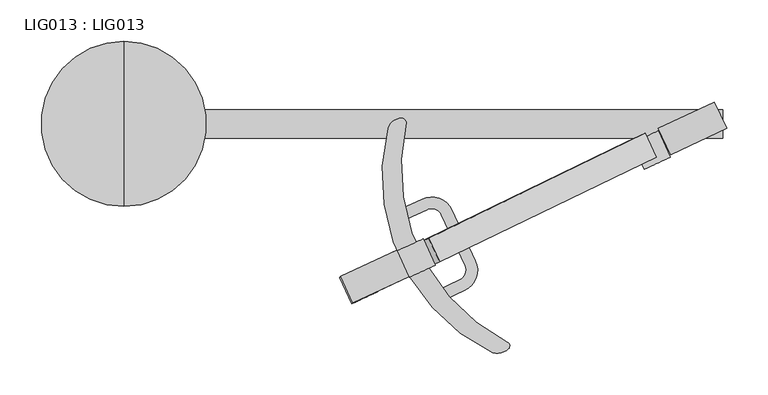
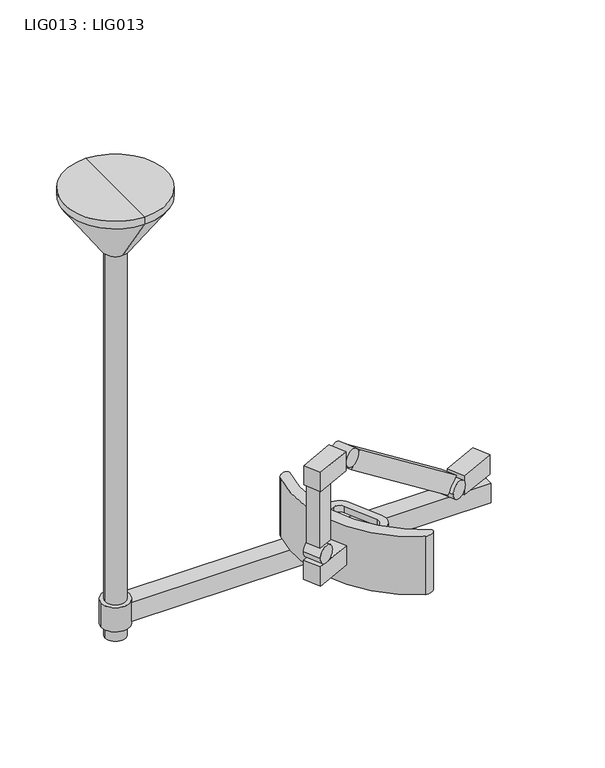
"""IFC4 building model written with IfcOpenShell, lengths in millimetres: proxy geometry, LIG013 : LIG013."""

from ifc_helpers import new_model, si_unit, point, frame, frame_2d, origin, origin_2d, place, context, project, spatial, polyline, circle_curve, trimmed, segment, composite_curve, outline, extrude, source, transform, mapped, element, save
from ifc_brep_helpers import plane_surface, cylinder_surface, revolved_surface, advanced_brep


def lig013_lig013_c20bfbfc(model_context):
    return source(origin(), model_context, "Body", "SolidModel", [
        extrude(outline(polyline([(-38.4581278, 0.0), (-2.018811, 0.0), (-37.4867654, -364.1484075), (-73.9275108, -364.163074), (-38.4581278, 0.0)])), frame((358.9565239, -177.6584559, -603.6662188), z_axis=(-0.42526360609791913, 0.904947692973006, 0.01485053236177733), x_axis=(-0.6196764237920149, -0.279168090139248, -0.7335300315899438)), (0.0, 0.0, 1.0), 31.5874191),
        extrude(outline(composite_curve([segment(trimmed(circle_curve(origin_2d(), 27.5), [point((-27.5, 0.0))], [point((27.5, 0.0))], False, "CARTESIAN"), True, "CONTINUOUS"), segment(trimmed(circle_curve(origin_2d(), 27.5), [point((27.5, 0.0))], [point((-27.5, 0.0))], False, "CARTESIAN"), True, "CONTINUOUS")], self_intersect=False)), frame((0.0, 0.0, -900.0), z_axis=(0.0, 0.0, 1.0), x_axis=(1.0, 0.0, 0.0)), (0.0, 0.0, 1.0), 50.0),
        extrude(outline(composite_curve([segment(polyline([(341.7300133, -115.5400043), (335.8080899, -102.8508856), (361.1780893, -91.0108834)]), True, "CONTINUOUS"), segment(trimmed(circle_curve(frame_2d((372.5971774, -115.478975)), 27.0015386), [point((361.1780893, -91.0108834))], [point((397.0691618, -104.0682316))], False, "CARTESIAN"), True, "CONTINUOUS"), segment(polyline([(397.0691618, -104.0682316), (425.8300035, -165.7500027)]), True, "CONTINUOUS"), segment(trimmed(circle_curve(frame_2d((401.3597787, -177.1599257)), 26.9995971), [point((425.8300035, -165.7500027))], [point((412.7700085, -201.6300074))], False, "CARTESIAN"), True, "CONTINUOUS"), segment(polyline([(412.7700085, -201.6300074), (387.3917351, -213.4637207), (381.4722483, -200.7689433), (406.8957239, -188.9141526)]), True, "CONTINUOUS"), segment(trimmed(circle_curve(frame_2d((401.4224948, -177.1764079)), 12.951096), [point((406.8957239, -188.9141526))], [point((413.1599611, -171.702582))], True, "CARTESIAN"), True, "CONTINUOUS"), segment(polyline([(413.1599611, -171.702582), (384.3799899, -109.9899978)]), True, "CONTINUOUS"), segment(trimmed(circle_curve(frame_2d((372.5945665, -115.4861888)), 13.0040117), [point((384.3799899, -109.9899978))], [point((367.1000127, -103.700002))], True, "CARTESIAN"), True, "CONTINUOUS"), segment(polyline([(367.1000127, -103.700002), (341.7300133, -115.5400043)]), True, "CONTINUOUS")], self_intersect=False)), frame((0.0, 0.0, -740.0000347), z_axis=(0.0, 0.0, 1.0), x_axis=(1.0, 0.0, 0.0)), (0.0, 0.0, 1.0), 13.3200445),
        extrude(outline(composite_curve([segment(polyline([(341.7300133, -115.5400043), (335.8080899, -102.8508856), (361.1780893, -91.0108834)]), True, "CONTINUOUS"), segment(trimmed(circle_curve(frame_2d((372.5971774, -115.478975)), 27.0015386), [point((361.1780893, -91.0108834))], [point((397.0691618, -104.0682316))], False, "CARTESIAN"), True, "CONTINUOUS"), segment(polyline([(397.0691618, -104.0682316), (425.8300035, -165.7500027)]), True, "CONTINUOUS"), segment(trimmed(circle_curve(frame_2d((401.3597787, -177.1599257)), 26.9995971), [point((425.8300035, -165.7500027))], [point((412.7700085, -201.6300074))], False, "CARTESIAN"), True, "CONTINUOUS"), segment(polyline([(412.7700085, -201.6300074), (387.3917351, -213.4637207), (381.4722483, -200.7689433), (406.8957239, -188.9141526)]), True, "CONTINUOUS"), segment(trimmed(circle_curve(frame_2d((401.4224948, -177.1764079)), 12.951096), [point((406.8957239, -188.9141526))], [point((413.1599611, -171.702582))], True, "CARTESIAN"), True, "CONTINUOUS"), segment(polyline([(413.1599611, -171.702582), (384.3799899, -109.9899978)]), True, "CONTINUOUS"), segment(trimmed(circle_curve(frame_2d((372.5945665, -115.4861888)), 13.0040117), [point((384.3799899, -109.9899978))], [point((367.1000127, -103.700002))], True, "CARTESIAN"), True, "CONTINUOUS"), segment(polyline([(367.1000127, -103.700002), (341.7300133, -115.5400043)]), True, "CONTINUOUS")], self_intersect=False)), frame((0.0, 0.0, -820.0000208), z_axis=(0.0, 0.0, 1.0), x_axis=(1.0, 0.0, 0.0)), (0.0, 0.0, 1.0), 13.3200445),
        extrude(outline(polyline([(346.4859632, -184.3214926), (276.8025681, -216.8153934), (262.0095702, -185.0917069), (331.6929653, -152.5978061), (346.4859632, -184.3214926)])), frame((0.0, 0.0, -790.0000351), z_axis=(0.0, 0.0, 1.0), x_axis=(1.0, 0.0, 0.0)), (0.0, 0.0, 1.0), 39.999993),
        advanced_brep(
        [(464.4864638, -264.2433087, -830.1990336), (465.7600153, -272.1999913, -830.1990336), (446.8799904, -277.3199913, -830.1990336), (320.0949513, -5.4285976, -830.1990336), (336.679433, 6.806714, -830.1990336), (341.8890081, 1.597139, -830.1990336), (464.4800062, -264.2399939, -709.8434149), (341.8890081, 1.597139, -709.8434149), (336.679433, 6.806714, -709.8434149), (320.0949513, -5.4285976, -709.8434149), (446.8799904, -277.3199913, -709.8434149), (465.7600153, -272.1999913, -709.8434149)],
        [
            (0, 1, circle_curve(frame((462.2000392, -268.6895393, -830.1990336), z_axis=(0.0, 0.0, -1.0), x_axis=(1.0, 0.0, 0.0)), 4.9996704)),
            (1, 2, circle_curve(frame((451.9264966, -258.5589156, -830.1990336), z_axis=(0.0, 0.0, -1.0), x_axis=(1.0, 0.0, 0.0)), 19.4279486)),
            (2, 3, circle_curve(frame((550.1214143, -63.6716105, -830.1990336), z_axis=(0.0, 0.0, -1.0), x_axis=(1.0, 0.0, 0.0)), 237.2855289)),
            (3, 4, circle_curve(frame((335.8421201, -9.4158022, -830.1990336), z_axis=(0.0, 0.0, -1.0), x_axis=(1.0, 0.0, 0.0)), 16.2441105)),
            (4, 5, circle_curve(frame((336.679433, 1.597139, -830.1990336), z_axis=(0.0, 0.0, -1.0), x_axis=(1.0, 0.0, 0.0)), 5.209575)),
            (5, 0, circle_curve(frame((573.1447092, -52.9441496, -830.1990336), z_axis=(0.0, 0.0, 1.0), x_axis=(1.0, 0.0, 0.0)), 237.6004029)),
            (6, 7, circle_curve(frame((573.1447092, -52.9441496, -709.8434149), z_axis=(0.0, 0.0, -1.0), x_axis=(1.0, 0.0, 0.0)), 237.6004029)),
            (7, 8, circle_curve(frame((336.679433, 1.597139, -709.8434149), z_axis=(0.0, 0.0, 1.0), x_axis=(1.0, 0.0, 0.0)), 5.209575)),
            (8, 9, circle_curve(frame((335.8421201, -9.4158022, -709.8434149), z_axis=(0.0, 0.0, 1.0), x_axis=(1.0, 0.0, 0.0)), 16.2441105)),
            (9, 10, circle_curve(frame((550.1214143, -63.6716105, -709.8434149), z_axis=(0.0, 0.0, 1.0), x_axis=(1.0, 0.0, 0.0)), 237.2855289)),
            (10, 11, circle_curve(frame((451.9264966, -258.5589156, -709.8434149), z_axis=(0.0, 0.0, 1.0), x_axis=(1.0, 0.0, 0.0)), 19.4279486)),
            (11, 6, circle_curve(frame((462.2000392, -268.6895393, -709.8434149), z_axis=(0.0, 0.0, 1.0), x_axis=(1.0, 0.0, 0.0)), 4.9996704)),
            (6, 0),
            (5, 7),
            (4, 8),
            (3, 9),
            (2, 10),
            (1, 11),
        ],
        [
            plane_surface(frame((810.7451121, -52.9441496, -830.1990336), z_axis=(0.0, 0.0, -1.0), x_axis=(0.0, 1.0, 0.0))),
            plane_surface(frame((810.7451121, -52.9441496, -709.8434149), z_axis=(0.0, 0.0, 1.0), x_axis=(0.0, -1.0, 0.0))),
            revolved_surface(polyline([(810.7451120999999, -52.9441496, -830.1990336), (810.7451120999999, -52.9441496, -709.8434149)]), (573.1447092, -52.9441496, -830.1990336), (0.0, 0.0, -1.0)),
            cylinder_surface(frame((336.679433, 1.597139, -830.1990336), z_axis=(0.0, 0.0, 1.0), x_axis=(1.0, 0.0, 0.0)), 5.209575),
            cylinder_surface(frame((335.8421201, -9.4158022, -830.1990336), z_axis=(0.0, 0.0, 1.0), x_axis=(1.0, 0.0, 0.0)), 16.2441105),
            cylinder_surface(frame((550.1214143, -63.6716105, -830.1990336), z_axis=(0.0, 0.0, 1.0), x_axis=(1.0, 0.0, 0.0)), 237.2855289),
            cylinder_surface(frame((451.9264966, -258.5589156, -830.1990336), z_axis=(0.0, 0.0, 1.0), x_axis=(1.0, 0.0, 0.0)), 19.4279486),
            cylinder_surface(frame((462.2000392, -268.6895393, -830.1990336), z_axis=(0.0, 0.0, 1.0), x_axis=(1.0, 0.0, 0.0)), 4.9996704),
        ],
        [
            (0, [[1, 2, 3, 4, 5, 6]]),
            (1, [[7, 8, 9, 10, 11, 12]]),
            (2, [[-7, 13, -6, 14]]),
            (3, [[-8, -14, -5, 15]]),
            (4, [[-9, -15, -4, 16]]),
            (5, [[-10, -16, -3, 17]]),
            (6, [[-11, -17, -2, 18]]),
            (7, [[-12, -18, -1, -13]]),
        ],
    ),
        advanced_brep(
        [(0.0, 100.0000004, -14.9999997), (0.0, -100.0000008, -14.9999997), (0.0, -100.0000008, 0.0), (0.0, 100.0000004, 0.0), (0.0, 24.9999998, -125.000001), (0.0, -25.0000002, -125.000001), (0.0, -4e-07, -125.000001), (0.0, -4e-07, 0.0)],
        [
            (0, 1, circle_curve(frame((0.0, -2e-07, -14.9999997), z_axis=(0.0, 0.0, 1.0), x_axis=(0.0, -1.0, 0.0)), 100.0000006)),
            (1, 2),
            (2, 3, circle_curve(frame((0.0, -2e-07, 0.0), z_axis=(0.0, 0.0, -1.0), x_axis=(0.0, -1.0, 0.0)), 100.0000006)),
            (3, 0),
            (1, 0, circle_curve(frame((0.0, -2e-07, -14.9999997), z_axis=(0.0, 0.0, 1.0), x_axis=(0.0, -1.0, 0.0)), 100.0000006)),
            (3, 2, circle_curve(frame((0.0, -2e-07, 0.0), z_axis=(0.0, 0.0, -1.0), x_axis=(0.0, -1.0, 0.0)), 100.0000006)),
            (4, 5, circle_curve(frame((0.0, -2e-07, -125.000001), z_axis=(0.0, 0.0, 1.0), x_axis=(0.0, -1.0, 0.0)), 25.0)),
            (5, 1),
            (0, 4),
            (5, 4, circle_curve(frame((0.0, -2e-07, -125.000001), z_axis=(0.0, 0.0, 1.0), x_axis=(0.0, -1.0, 0.0)), 25.0)),
            (6, 5),
            (4, 6),
            (2, 7),
            (7, 3),
        ],
        [
            cylinder_surface(frame((0.0, -2e-07, -125.000001), z_axis=(0.0, 0.0, -1.0), x_axis=(0.0, -1.0, 0.0)), 100.0000006),
            revolved_surface(polyline([(0.0, -100.0000008, -14.9999997), (0.0, -25.0000002, -125.000001)]), (0.0, -2e-07, -125.000001), (0.0, 0.0, -1.0)),
            plane_surface(frame((0.0, -2e-07, -125.000001), z_axis=(0.0, 0.0, -1.0), x_axis=(0.0, -1.0, 0.0))),
            plane_surface(frame((0.0, -2e-07, 0.0), z_axis=(0.0, 0.0, 1.0), x_axis=(0.0, -1.0, 0.0))),
        ],
        [
            (0, [[1, 2, 3, 4]]),
            (0, [[5, -4, 6, -2]]),
            (1, [[7, 8, -1, 9]]),
            (1, [[10, -9, -5, -8]]),
            (2, [[11, -7, 12]]),
            (2, [[-12, -10, -11]]),
            (3, [[-3, 13, 14]]),
            (3, [[-6, -14, -13]]),
        ],
    ),
        extrude(outline(polyline([(725.0000055, 17.5000004), (725.0000055, -17.5000004), (20.0, -17.5000004), (20.0, 17.5000004), (725.0000055, 17.5000004)])), frame((0.0, 0.0, -895.0000214), z_axis=(0.0, 0.0, 1.0), x_axis=(1.0, 0.0, 0.0)), (0.0, 0.0, 1.0), 40.0000294),
        extrude(outline(polyline([(278.8207579, -211.8485492), (266.9871626, -186.4713221), (294.1763962, -173.7927742), (306.0099916, -199.1700013), (278.8207579, -211.8485492)])), frame((0.0, 0.0, -715.2989347), z_axis=(0.0, 0.0, 1.0), x_axis=(1.0, 0.0, 0.0)), (0.0, 0.0, 1.0), 120.298952),
        extrude(outline(polyline([(345.2023463, -184.7612994), (277.2292623, -216.457669), (262.4362643, -184.7339825), (330.4093483, -153.0376129), (345.2023463, -184.7612994)])), frame((0.0, 0.0, -594.9999827), z_axis=(0.0, 0.0, 1.0), x_axis=(1.0, 0.0, 0.0)), (0.0, 0.0, 1.0), 39.999993),
        extrude(outline(composite_curve([segment(trimmed(circle_curve(frame_2d((0.0, -17.4999654)), 17.4999655), [point((0.0, -34.9999309))], [point((0.0, 0.0))], False, "CARTESIAN"), True, "CONTINUOUS"), segment(trimmed(circle_curve(frame_2d((0.0, -17.4999654)), 17.4999655), [point((0.0, 0.0))], [point((0.0, -34.9999309))], False, "CARTESIAN"), True, "CONTINUOUS")], self_intersect=False)), frame((377.2883267, -171.0557396, -577.0033355), z_axis=(-0.4177831534310292, 0.9085467718886162, 0.0), x_axis=(0.0, 0.0, 1.0)), (0.0, 0.0, 1.0), 35.0445151),
        extrude(outline(composite_curve([segment(trimmed(circle_curve(frame_2d((0.0, -17.4999655)), 17.4999655), [point((0.0, -34.999931))], [point((0.0, 0.0))], False, "CARTESIAN"), True, "CONTINUOUS"), segment(trimmed(circle_curve(frame_2d((0.0, -17.4999655)), 17.4999655), [point((0.0, 0.0))], [point((0.0, -34.999931))], False, "CARTESIAN"), True, "CONTINUOUS")], self_intersect=False)), frame((661.8843563, -40.2370352, -822.45989), z_axis=(-0.4177831534310292, 0.9085467718886162, 0.0), x_axis=(0.0, 0.0, 1.0)), (0.0, 0.0, 1.0), 35.0445151),
        extrude(outline(composite_curve([segment(trimmed(circle_curve(frame_2d((0.0, -17.4999655)), 17.4999655), [point((0.0, -34.999931))], [point((0.0, 0.0))], False, "CARTESIAN"), True, "CONTINUOUS"), segment(trimmed(circle_curve(frame_2d((0.0, -17.4999655)), 17.4999655), [point((0.0, 0.0))], [point((0.0, -34.999931))], False, "CARTESIAN"), True, "CONTINUOUS")], self_intersect=False)), frame((307.7037803, -203.15126, -732.5), z_axis=(-0.4177831534310292, 0.9085467718886162, 0.0), x_axis=(0.0, 0.0, 1.0)), (0.0, 0.0, 1.0), 35.0445151),
        extrude(outline(polyline([(730.0530929, -5.2936304), (662.0800089, -36.9900001), (647.2870109, -5.2663136), (715.260095, 26.430056), (730.0530929, -5.2936304)])), frame((0.0, 0.0, -845.0), z_axis=(0.0, 0.0, 1.0), x_axis=(1.0, 0.0, 0.0)), (0.0, 0.0, 1.0), 40.0000084),
        extrude(outline(composite_curve([segment(trimmed(circle_curve(frame_2d((700.0, 0.0)), 7.5), [point((692.5, 0.0))], [point((707.5, 0.0))], False, "CARTESIAN"), True, "CONTINUOUS"), segment(trimmed(circle_curve(frame_2d((700.0, 0.0)), 7.5), [point((707.5, 0.0))], [point((692.5, 0.0))], False, "CARTESIAN"), True, "CONTINUOUS")], self_intersect=False)), frame((0.0, 0.0, -855.0), z_axis=(0.0, 0.0, 1.0), x_axis=(1.0, 0.0, 0.0)), (0.0, 0.0, 1.0), 10.0),
        extrude(outline(composite_curve([segment(trimmed(circle_curve(origin_2d(), 20.0), [point((-20.0, 0.0))], [point((20.0, 0.0))], False, "CARTESIAN"), True, "CONTINUOUS"), segment(trimmed(circle_curve(origin_2d(), 20.0), [point((20.0, 0.0))], [point((-20.0, 0.0))], False, "CARTESIAN"), True, "CONTINUOUS")], self_intersect=False)), frame((0.0, 0.0, -925.0), z_axis=(0.0, 0.0, 1.0), x_axis=(1.0, 0.0, 0.0)), (0.0, 0.0, 1.0), 800.0),
    ])


if __name__ == "__main__":
    model = new_model("IFC4")
    model_context = context("Model", 3, world=origin())
    ifc_project = project(units=[si_unit("LENGTHUNIT", "METRE", prefix="MILLI")], contexts=[model_context])
    site = spatial("IfcSite", under=ifc_project)
    building = spatial("IfcBuilding", under=site)
    placement = place(None, origin())
    lig013_lig013_shape = lig013_lig013_c20bfbfc(model_context)
    element("IfcBuildingElementProxy", 1, Name="LIG013 : LIG013", ObjectType="LIG013 : LIG013", at=placement, inside=building, context=model_context, shape_type="MappedRepresentation", body=[
        mapped(lig013_lig013_shape, transform((0.0, 0.0, 0.0), x_axis=(1.0, 0.0, 0.0), y_axis=(0.0, 1.0, 0.0), z_axis=(0.0, 0.0, 1.0))),
    ])
    save(model, "model.ifc")
